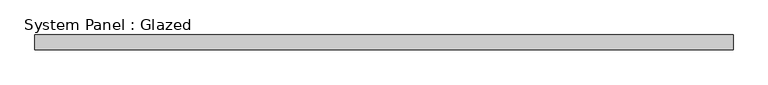
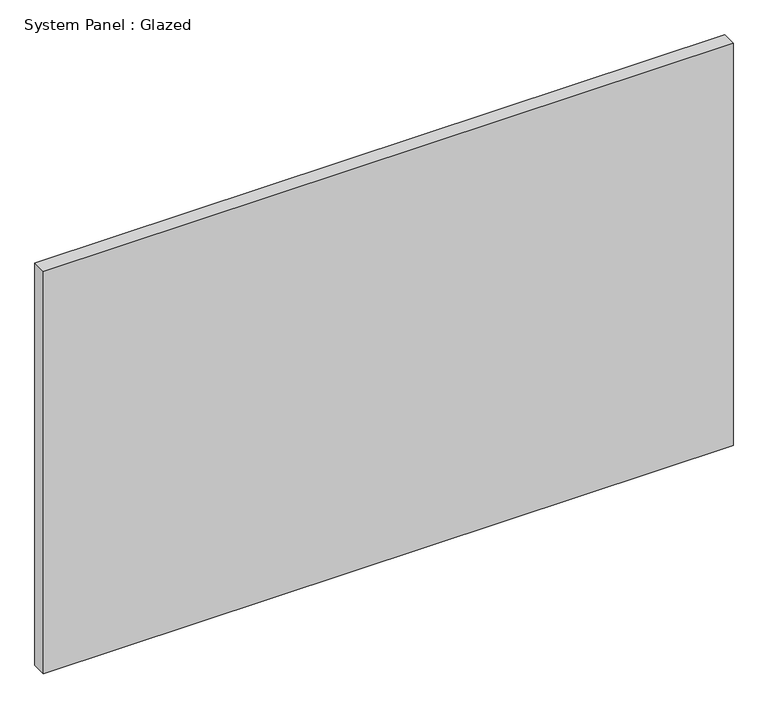
"""IFC4 building model written with IfcOpenShell, lengths in millimetres: plate geometry, System Panel : Glazed."""

from ifc_helpers import new_model, si_unit, origin, origin_with_axes, place, context, project, spatial, polyline, outline, extrude, source, transform, mapped, element, save


def system_panel_glazed_019ec2e0(model_context):
    return source(origin(), model_context, "Body", "SweptSolid", [
        extrude(outline(polyline([(587.5000001, 24.5), (-587.5000001, 24.5), (-587.5000001, 49.5), (587.5000001, 49.5), (587.5000001, 24.5)])), origin_with_axes(), (0.0, 0.0, 1.0), 725.0),
    ])


if __name__ == "__main__":
    model = new_model("IFC4")
    model_context = context("Model", 3, world=origin())
    ifc_project = project(units=[si_unit("LENGTHUNIT", "METRE", prefix="MILLI")], contexts=[model_context])
    site = spatial("IfcSite", under=ifc_project)
    building = spatial("IfcBuilding", under=site)
    placement = place(None, origin())
    system_panel_glazed_shape = system_panel_glazed_019ec2e0(model_context)
    element("IfcPlate", 1, ObjectType="System Panel : Glazed", at=placement, inside=building, context=model_context, shape_type="MappedRepresentation", body=[
        mapped(system_panel_glazed_shape, transform((0.0, 0.0, 0.0), x_axis=(1.0, 0.0, 0.0), y_axis=(0.0, 1.0, 0.0), z_axis=(0.0, 0.0, 1.0))),
    ])
    save(model, "model.ifc")
